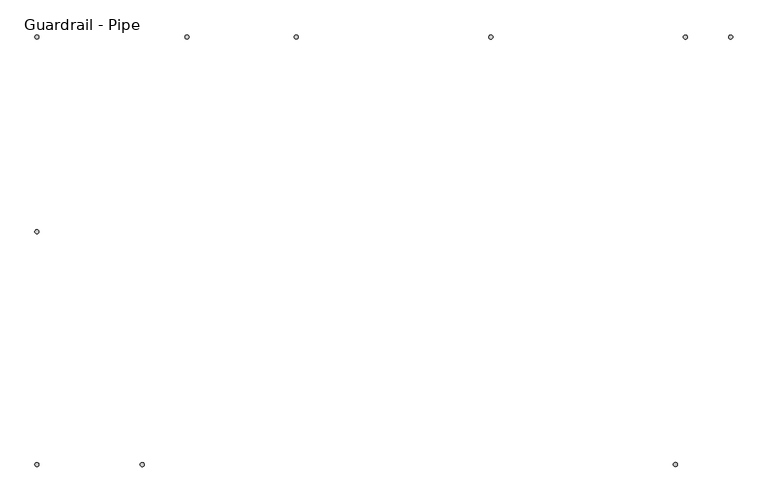
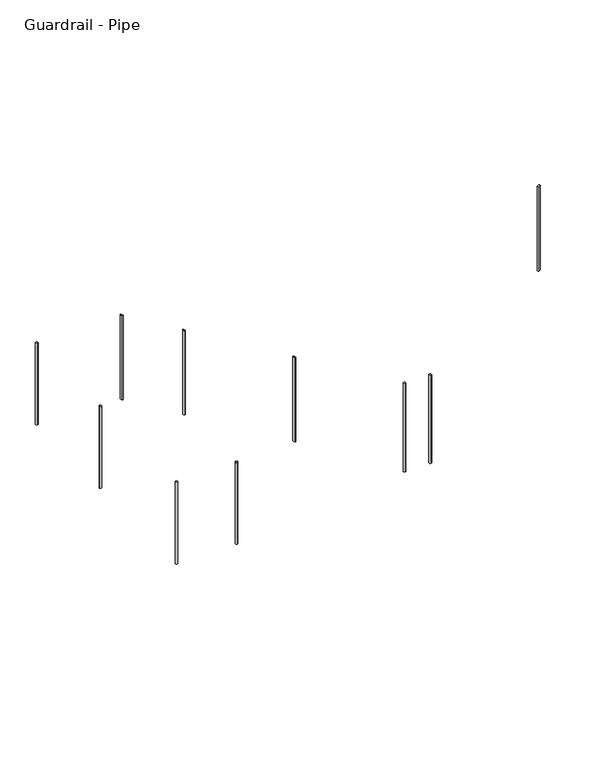
"""IFC4 building model written with IfcOpenShell, lengths in millimetres: railing geometry, Guardrail - Pipe."""

from ifc_helpers import new_model, si_unit, point, frame, frame_2d, origin, origin_with_axes, place, context, project, spatial, circle_curve, ellipse_curve, trimmed, segment, composite_curve, outline, extrude, source, transform, mapped, element, save
from ifc_brep_helpers import plane_surface, cylinder_surface, advanced_brep


def guardrail_pipe_4ef81581(model_context):
    return source(origin(), model_context, "Body", "SolidModel", [
        extrude(outline(composite_curve([segment(trimmed(circle_curve(frame_2d((-14610.2112561, 2825.0151259)), 12.7), [point((-14597.5112561, 2825.0151259))], [point((-14622.9112561, 2825.0151259))], False, "CARTESIAN"), True, "CONTINUOUS"), segment(trimmed(circle_curve(frame_2d((-14610.2112561, 2825.0151259)), 12.7), [point((-14622.9112561, 2825.0151259))], [point((-14597.5112561, 2825.0151259))], False, "CARTESIAN"), True, "CONTINUOUS")], self_intersect=False)), frame((0.0, 0.0, 1971.2608696), z_axis=(0.0, 0.0, 1.0), x_axis=(1.0, 0.0, 0.0)), (0.0, 0.0, 1.0), 952.5),
        advanced_brep(
        [(-12985.1109142, 4056.9151259, 2501.5453175), (-12985.1109142, 4056.9151259, 1519.2017987), (-12985.1109142, 4031.5151259, 1519.2017987), (-12985.1109142, 4031.5151259, 2501.5453175)],
        [
            (0, 1),
            (1, 2, ellipse_curve(frame((-12985.1109142, 4044.2151259, 1519.2017987), z_axis=(0.5186838304271262, 0.0, 0.8549661303545565), x_axis=(-0.8549661303545566, 0.0, 0.5186838304271258)), 14.8543896, 12.7)),
            (2, 3),
            (3, 0, ellipse_curve(frame((-12985.1109142, 4044.2151259, 2501.5453175), z_axis=(-0.5186838304271236, 0.0, -0.8549661303545578), x_axis=(-0.8549661303545579, 0.0, 0.5186838304271237)), 14.8543896, 12.7)),
            (0, 3, ellipse_curve(frame((-12985.1109142, 4044.2151259, 2501.5453175), z_axis=(-0.5186838304271236, 0.0, -0.8549661303545578), x_axis=(-0.8549661303545579, 0.0, 0.5186838304271237)), 14.8543896, 12.7)),
            (2, 1, ellipse_curve(frame((-12985.1109142, 4044.2151259, 1519.2017987), z_axis=(0.5186838304271262, 0.0, 0.8549661303545565), x_axis=(-0.8549661303545566, 0.0, 0.5186838304271258)), 14.8543896, 12.7)),
        ],
        [
            cylinder_surface(frame((-12985.1109142, 4044.2151259, 1290.6017987), z_axis=(0.0, 0.0, 1.0), x_axis=(0.0, -1.0, 0.0)), 12.7),
            plane_surface(frame((-13010.5109142, 4018.8151259, 2516.9547809), z_axis=(0.5186838304271236, 0.0, 0.8549661303545578), x_axis=(0.0, 1.0, 0.0))),
            plane_surface(frame((-12959.7109142, 4018.8151259, 1503.7923353), z_axis=(-0.5186838304271262, 0.0, -0.8549661303545565), x_axis=(0.0, 1.0, 0.0))),
        ],
        [
            (0, [[1, 2, 3, 4]]),
            (0, [[-1, 5, -3, 6]]),
            (1, [[-4, -5]]),
            (2, [[-2, -6]]),
        ],
    ),
        advanced_brep(
        [(-11765.9109142, 4056.9151259, 1761.8910743), (-11765.9109142, 4056.9151259, 779.5475555), (-11765.9109142, 4031.5151259, 779.5475555), (-11765.9109142, 4031.5151259, 1761.8910743)],
        [
            (0, 1),
            (1, 2, ellipse_curve(frame((-11765.9109142, 4044.2151259, 779.5475555), z_axis=(0.5186838304271262, 0.0, 0.8549661303545565), x_axis=(-0.8549661303545566, 0.0, 0.5186838304271258)), 14.8543896, 12.7)),
            (2, 3),
            (3, 0, ellipse_curve(frame((-11765.9109142, 4044.2151259, 1761.8910743), z_axis=(-0.5186838304271236, 0.0, -0.8549661303545578), x_axis=(-0.8549661303545579, 0.0, 0.5186838304271237)), 14.8543896, 12.7)),
            (0, 3, ellipse_curve(frame((-11765.9109142, 4044.2151259, 1761.8910743), z_axis=(-0.5186838304271236, 0.0, -0.8549661303545578), x_axis=(-0.8549661303545579, 0.0, 0.5186838304271237)), 14.8543896, 12.7)),
            (2, 1, ellipse_curve(frame((-11765.9109142, 4044.2151259, 779.5475555), z_axis=(0.5186838304271262, 0.0, 0.8549661303545565), x_axis=(-0.8549661303545566, 0.0, 0.5186838304271258)), 14.8543896, 12.7)),
        ],
        [
            cylinder_surface(frame((-11765.9109142, 4044.2151259, 550.9475555), z_axis=(0.0, 0.0, 1.0), x_axis=(0.0, -1.0, 0.0)), 12.7),
            plane_surface(frame((-11791.3109142, 4018.8151259, 1777.3005377), z_axis=(0.5186838304271236, 0.0, 0.8549661303545578), x_axis=(0.0, 1.0, 0.0))),
            plane_surface(frame((-11740.5109142, 4018.8151259, 764.1380921), z_axis=(-0.5186838304271262, 0.0, -0.8549661303545565), x_axis=(0.0, 1.0, 0.0))),
        ],
        [
            (0, [[1, 2, 3, 4]]),
            (0, [[-1, 5, -3, 6]]),
            (1, [[-4, -5]]),
            (2, [[-2, -6]]),
        ],
    ),
        extrude(outline(composite_curve([segment(trimmed(circle_curve(frame_2d((-13949.8112561, 1367.0404418)), 12.7), [point((-13949.8112561, 1379.7404418))], [point((-13949.8112561, 1354.3404418))], False, "CARTESIAN"), True, "CONTINUOUS"), segment(trimmed(circle_curve(frame_2d((-13949.8112561, 1367.0404418)), 12.7), [point((-13949.8112561, 1354.3404418))], [point((-13949.8112561, 1379.7404418))], False, "CARTESIAN"), True, "CONTINUOUS")], self_intersect=False)), frame((0.0, 0.0, 1971.2608696), z_axis=(0.0, 0.0, 1.0), x_axis=(1.0, 0.0, 0.0)), (0.0, 0.0, 1.0), 952.5),
        extrude(outline(composite_curve([segment(trimmed(circle_curve(frame_2d((-14610.2112561, 1367.0404418)), 12.7), [point((-14597.5112561, 1367.0404418))], [point((-14622.9112561, 1367.0404418))], False, "CARTESIAN"), True, "CONTINUOUS"), segment(trimmed(circle_curve(frame_2d((-14610.2112561, 1367.0404418)), 12.7), [point((-14622.9112561, 1367.0404418))], [point((-14597.5112561, 1367.0404418))], False, "CARTESIAN"), True, "CONTINUOUS")], self_intersect=False)), frame((0.0, 0.0, 1971.2608696), z_axis=(0.0, 0.0, 1.0), x_axis=(1.0, 0.0, 0.0)), (0.0, 0.0, 1.0), 952.5),
        extrude(outline(composite_curve([segment(trimmed(circle_curve(frame_2d((-14610.2112561, 4044.2151259)), 12.7), [point((-14610.2112561, 4031.5151259))], [point((-14610.2112561, 4056.9151259))], False, "CARTESIAN"), True, "CONTINUOUS"), segment(trimmed(circle_curve(frame_2d((-14610.2112561, 4044.2151259)), 12.7), [point((-14610.2112561, 4056.9151259))], [point((-14610.2112561, 4031.5151259))], False, "CARTESIAN"), True, "CONTINUOUS")], self_intersect=False)), frame((0.0, 0.0, 1971.2608696), z_axis=(0.0, 0.0, 1.0), x_axis=(1.0, 0.0, 0.0)), (0.0, 0.0, 1.0), 952.5),
        advanced_brep(
        [(-13670.4112561, 4056.9151259, 2917.2977007), (-13670.4112561, 4056.9151259, 1934.954182), (-13670.4112561, 4031.5151259, 1934.954182), (-13670.4112561, 4031.5151259, 2917.2977007)],
        [
            (0, 1),
            (1, 2, ellipse_curve(frame((-13670.4112561, 4044.2151259, 1934.954182), z_axis=(0.5186838304271262, 0.0, 0.8549661303545565), x_axis=(-0.8549661303545566, 0.0, 0.5186838304271258)), 14.8543896, 12.7)),
            (2, 3),
            (3, 0, ellipse_curve(frame((-13670.4112561, 4044.2151259, 2917.2977007), z_axis=(-0.5186838304271236, 0.0, -0.8549661303545578), x_axis=(-0.8549661303545579, 0.0, 0.5186838304271237)), 14.8543896, 12.7)),
            (0, 3, ellipse_curve(frame((-13670.4112561, 4044.2151259, 2917.2977007), z_axis=(-0.5186838304271236, 0.0, -0.8549661303545578), x_axis=(-0.8549661303545579, 0.0, 0.5186838304271237)), 14.8543896, 12.7)),
            (2, 1, ellipse_curve(frame((-13670.4112561, 4044.2151259, 1934.954182), z_axis=(0.5186838304271262, 0.0, 0.8549661303545565), x_axis=(-0.8549661303545566, 0.0, 0.5186838304271258)), 14.8543896, 12.7)),
        ],
        [
            cylinder_surface(frame((-13670.4112561, 4044.2151259, 1706.354182), z_axis=(0.0, 0.0, 1.0), x_axis=(0.0, -1.0, 0.0)), 12.7),
            plane_surface(frame((-13695.8112561, 4018.8151259, 2932.7071641), z_axis=(0.5186838304271236, 0.0, 0.8549661303545578), x_axis=(0.0, 1.0, 0.0))),
            plane_surface(frame((-13645.0112561, 4018.8151259, 1919.5447186), z_axis=(-0.5186838304271262, 0.0, -0.8549661303545565), x_axis=(0.0, 1.0, 0.0))),
        ],
        [
            (0, [[1, 2, 3, 4]]),
            (0, [[-1, 5, -3, 6]]),
            (1, [[-4, -5]]),
            (2, [[-2, -6]]),
        ],
    ),
        extrude(outline(composite_curve([segment(trimmed(circle_curve(frame_2d((-10546.7109142, 4044.2151259)), 12.7), [point((-10546.7109142, 4031.5151259))], [point((-10546.7109142, 4056.9151259))], False, "CARTESIAN"), True, "CONTINUOUS"), segment(trimmed(circle_curve(frame_2d((-10546.7109142, 4044.2151259)), 12.7), [point((-10546.7109142, 4056.9151259))], [point((-10546.7109142, 4031.5151259))], False, "CARTESIAN"), True, "CONTINUOUS")], self_intersect=False)), origin_with_axes(), (0.0, 0.0, 1.0), 1028.7),
        advanced_brep(
        [(-10609.7112561, 1354.3404418, 4976.6086171), (-10609.7112561, 1354.3404418, 3995.3973354), (-10609.7112561, 1379.7404418, 3995.3973354), (-10609.7112561, 1379.7404418, 4976.6086171)],
        [
            (0, 1),
            (1, 2, ellipse_curve(frame((-10609.7112561, 1367.0404418, 3995.3973354), z_axis=(-0.5248480775957495, 0.0, 0.8511959207162862), x_axis=(0.8511959207162862, 0.0, 0.5248480775957493)), 14.9201843, 12.7)),
            (2, 3),
            (3, 0, ellipse_curve(frame((-10609.7112561, 1367.0404418, 4976.6086171), z_axis=(0.5248480775957488, 0.0, -0.8511959207162867), x_axis=(0.8511959207162868, 0.0, 0.5248480775957486)), 14.9201843, 12.7)),
            (0, 3, ellipse_curve(frame((-10609.7112561, 1367.0404418, 4976.6086171), z_axis=(0.5248480775957488, 0.0, -0.8511959207162867), x_axis=(0.8511959207162868, 0.0, 0.5248480775957486)), 14.9201843, 12.7)),
            (2, 1, ellipse_curve(frame((-10609.7112561, 1367.0404418, 3995.3973354), z_axis=(-0.5248480775957495, 0.0, 0.8511959207162862), x_axis=(0.8511959207162862, 0.0, 0.5248480775957493)), 14.9201843, 12.7)),
        ],
        [
            cylinder_surface(frame((-10609.7112561, 1367.0404418, 3766.7973354), z_axis=(0.0, 0.0, 1.0), x_axis=(0.0, 1.0, 0.0)), 12.7),
            plane_surface(frame((-10584.3112561, 1392.4404418, 4992.2702772), z_axis=(-0.5248480775957488, 0.0, 0.8511959207162867), x_axis=(0.0, -1.0, 0.0))),
            plane_surface(frame((-10635.1112561, 1392.4404418, 3979.7356753), z_axis=(0.5248480775957495, 0.0, -0.8511959207162862), x_axis=(0.0, -1.0, 0.0))),
        ],
        [
            (0, [[1, 2, 3, 4]]),
            (0, [[-1, 5, -3, 6]]),
            (1, [[-4, -5]]),
            (2, [[-2, -6]]),
        ],
    ),
        extrude(outline(composite_curve([segment(trimmed(circle_curve(frame_2d((-10263.7564309, 4044.2151259)), 12.7), [point((-10263.7564309, 4031.5151259))], [point((-10263.7564309, 4056.9151259))], False, "CARTESIAN"), True, "CONTINUOUS"), segment(trimmed(circle_curve(frame_2d((-10263.7564309, 4044.2151259)), 12.7), [point((-10263.7564309, 4056.9151259))], [point((-10263.7564309, 4031.5151259))], False, "CARTESIAN"), True, "CONTINUOUS")], self_intersect=False)), origin_with_axes(), (0.0, 0.0, 1.0), 1028.7),
    ])


if __name__ == "__main__":
    model = new_model("IFC4")
    model_context = context("Model", 3, world=origin())
    ifc_project = project(units=[si_unit("LENGTHUNIT", "METRE", prefix="MILLI")], contexts=[model_context])
    site = spatial("IfcSite", under=ifc_project)
    building = spatial("IfcBuilding", under=site)
    placement = place(None, origin())
    guardrail_pipe_shape = guardrail_pipe_4ef81581(model_context)
    element("IfcRailing", 1, ObjectType="Guardrail - Pipe", at=placement, inside=building, context=model_context, shape_type="MappedRepresentation", body=[
        mapped(guardrail_pipe_shape, transform((0.0, 0.0, 0.0), x_axis=(1.0, 0.0, 0.0), y_axis=(0.0, 1.0, 0.0), z_axis=(0.0, 0.0, 1.0))),
    ])
    save(model, "model.ifc")
